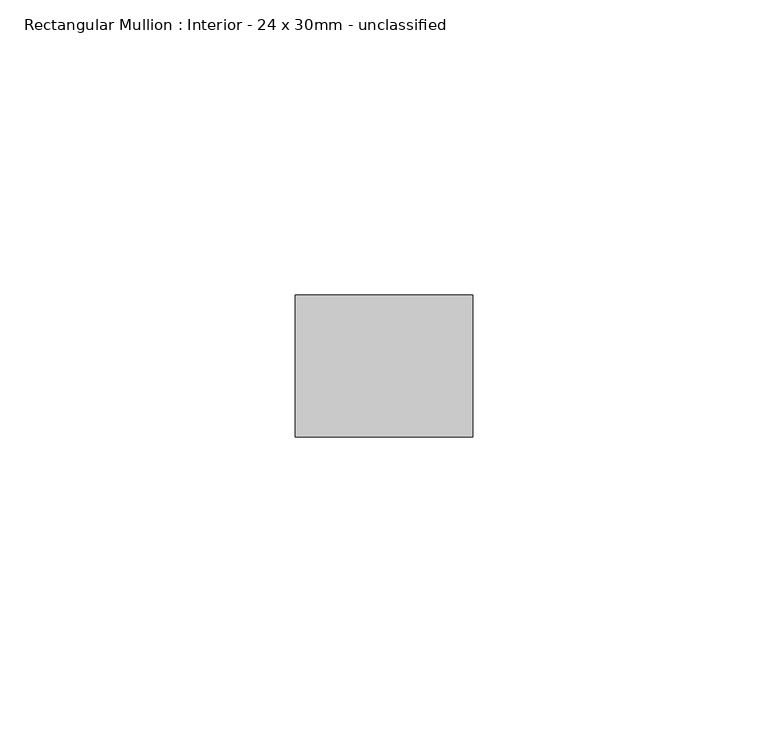
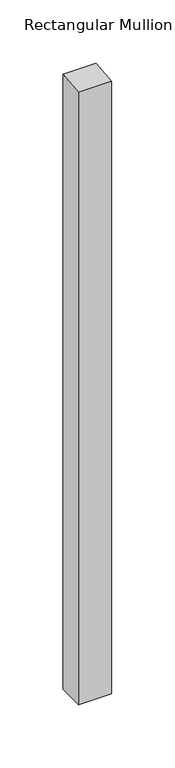
"""IFC4 building model written with IfcOpenShell, lengths in millimetres: member geometry, Rectangular Mullion : Interior - 24 x 30mm - unclassified."""

from ifc_helpers import new_model, si_unit, frame, origin, place, context, project, spatial, polyline, outline, extrude, source, transform, mapped, element, save


def rectangular_mullion_interior_24_x_30mm_unclassified_11df3acc(model_context):
    return source(origin(), model_context, "Body", "SweptSolid", [
        extrude(outline(polyline([(-12.0, -1.2807107), (12.0, 1.2807107), (12.0, -590.3869984), (-12.0, -590.3869984), (-12.0, -1.2807107)])), frame((-30.0, 0.0, 0.0), z_axis=(1.0, 0.0, 0.0), x_axis=(0.0, 1.0, 0.0)), (0.0, 0.0, 1.0), 30.0),
    ])


if __name__ == "__main__":
    model = new_model("IFC4")
    model_context = context("Model", 3, world=origin())
    ifc_project = project(units=[si_unit("LENGTHUNIT", "METRE", prefix="MILLI")], contexts=[model_context])
    site = spatial("IfcSite", under=ifc_project)
    building = spatial("IfcBuilding", under=site)
    placement = place(None, origin())
    rectangular_mullion_interior_24_x_30mm_unclassified_shape = rectangular_mullion_interior_24_x_30mm_unclassified_11df3acc(model_context)
    element("IfcMember", 1, ObjectType="Rectangular Mullion : Interior - 24 x 30mm - unclassified", at=placement, inside=building, context=model_context, shape_type="MappedRepresentation", body=[
        mapped(rectangular_mullion_interior_24_x_30mm_unclassified_shape, transform((0.0, 0.0, 0.0), x_axis=(1.0, 0.0, 0.0), y_axis=(0.0, 1.0, 0.0), z_axis=(0.0, 0.0, 1.0))),
    ])
    save(model, "model.ifc")
